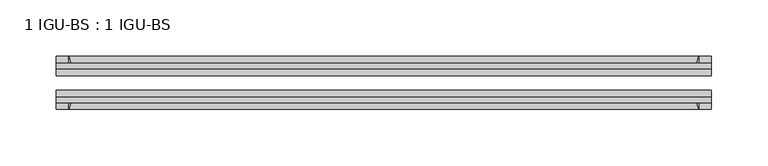
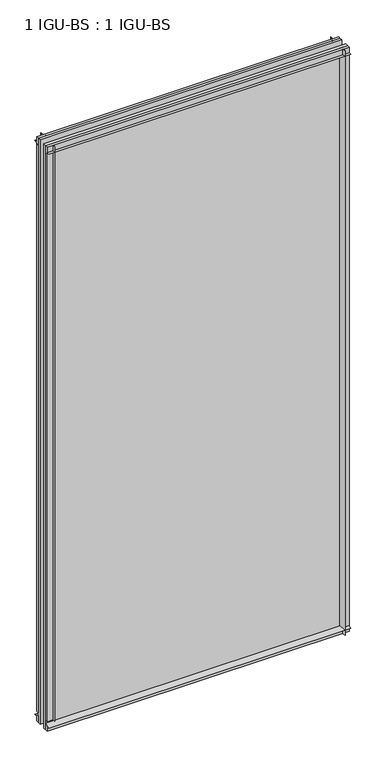
"""IFC4 building model written with IfcOpenShell, lengths in millimetres: plate geometry, 1 IGU-BS : 1 IGU-BS."""

from ifc_helpers import new_model, si_unit, point, frame, frame_2d, origin, origin_with_axes, place, context, project, spatial, polyline, circle_curve, trimmed, segment, composite_curve, outline, extrude, source, transform, mapped, element, save


def plate_1_igu_bs_1_igu_bs_4f32f8c4(model_context):
    return source(origin(), model_context, "Body", "SweptSolid", [
        extrude(outline(composite_curve([segment(polyline([(-109.8637312, 1177.925), (-103.8947312, 1177.925), (-103.8947312, 1189.0375), (-99.1195312, 1189.0375), (-99.1195312, 1174.0271095)]), True, "CONTINUOUS"), segment(trimmed(circle_curve(frame_2d((-115.4953516, 1145.6452461)), 32.7673262), [point((-99.1195312, 1174.0271095))], [point((-109.8637312, 1177.925))], True, "CARTESIAN"), True, "CONTINUOUS")], self_intersect=False)), frame((-290.5121031, 0.0, 0.0), z_axis=(1.0, 0.0, 0.0), x_axis=(0.0, 1.0, 0.0)), (0.0, 0.0, 1.0), 581.0242062),
        extrude(outline(composite_curve([segment(polyline([(-73.7195312, 1174.0271095), (-73.7195312, 1189.0375), (-68.9443312, 1189.0375), (-68.9443312, 1177.925), (-62.9753315, 1177.925)]), True, "CONTINUOUS"), segment(trimmed(circle_curve(frame_2d((-57.3437109, 1145.6452461)), 32.7673262), [point((-62.9753315, 1177.925))], [point((-73.7195312, 1174.0271095))], True, "CARTESIAN"), True, "CONTINUOUS")], self_intersect=False)), frame((-290.5121031, 0.0, 0.0), z_axis=(1.0, 0.0, 0.0), x_axis=(0.0, 1.0, 0.0)), (0.0, 0.0, 1.0), 581.0242062),
        extrude(outline(composite_curve([segment(polyline([(-103.8947312, 0.0), (-103.8947312, 9.5265381), (-109.8637315, 9.5265381)]), True, "CONTINUOUS"), segment(trimmed(circle_curve(frame_2d((-115.5567965, 42.1919217)), 33.1577785), [point((-109.8637315, 9.5265381))], [point((-99.1195312, 13.3951409))], True, "CARTESIAN"), True, "CONTINUOUS"), segment(polyline([(-99.1195312, 13.3951409), (-99.1195312, 0.0), (-103.8947312, 0.0)]), True, "CONTINUOUS")], self_intersect=False)), frame((-290.5121031, 0.0, 0.0), z_axis=(1.0, 0.0, 0.0), x_axis=(0.0, 1.0, 0.0)), (0.0, 0.0, 1.0), 581.0242062),
        extrude(outline(composite_curve([segment(polyline([(-68.9443312, 0.0), (-73.7195312, 0.0), (-73.7195312, 13.4228906)]), True, "CONTINUOUS"), segment(trimmed(circle_curve(frame_2d((-57.3437109, 41.804754)), 32.7673262), [point((-73.7195312, 13.4228906))], [point((-62.9841404, 9.5265381))], True, "CARTESIAN"), True, "CONTINUOUS"), segment(polyline([(-62.9841404, 9.5265381), (-68.9443312, 9.5265381), (-68.9443312, 0.0)]), True, "CONTINUOUS")], self_intersect=False)), frame((-290.5121031, 0.0, 0.0), z_axis=(1.0, 0.0, 0.0), x_axis=(0.0, 1.0, 0.0)), (0.0, 0.0, 1.0), 581.0242062),
        extrude(outline(composite_curve([segment(polyline([(290.5121031, -68.9443313), (290.5121031, -73.7195313), (275.5017126, -73.7195313)]), True, "CONTINUOUS"), segment(trimmed(circle_curve(frame_2d((247.1198492, -57.3437109)), 32.7673262), [point((275.5017126, -73.7195313))], [point((279.3996031, -62.9753313))], True, "CARTESIAN"), True, "CONTINUOUS"), segment(polyline([(279.3996031, -62.9753313), (279.3996031, -68.9443313), (290.5121031, -68.9443313)]), True, "CONTINUOUS")], self_intersect=False)), origin_with_axes(), (0.0, 0.0, 1.0), 1189.0375),
        extrude(outline(composite_curve([segment(polyline([(290.5121031, -99.1195313), (290.5121031, -103.8947312), (279.3996031, -103.8947312), (279.3996031, -109.8637312)]), True, "CONTINUOUS"), segment(trimmed(circle_curve(frame_2d((247.1198492, -115.4953516)), 32.7673262), [point((279.3996031, -109.8637312))], [point((275.5017126, -99.1195313))], True, "CARTESIAN"), True, "CONTINUOUS"), segment(polyline([(275.5017126, -99.1195313), (290.5121031, -99.1195313)]), True, "CONTINUOUS")], self_intersect=False)), origin_with_axes(), (0.0, 0.0, 1.0), 1189.0375),
        extrude(outline(composite_curve([segment(polyline([(-290.5121031, -68.9443313), (-279.3996031, -68.9443313), (-279.3996031, -62.9753312)]), True, "CONTINUOUS"), segment(trimmed(circle_curve(frame_2d((-247.1198492, -57.3437109)), 32.7673262), [point((-279.3996031, -62.9753312))], [point((-275.5017126, -73.7195313))], True, "CARTESIAN"), True, "CONTINUOUS"), segment(polyline([(-275.5017126, -73.7195313), (-290.5121031, -73.7195313), (-290.5121031, -68.9443313)]), True, "CONTINUOUS")], self_intersect=False)), frame((0.0, 0.0, 19.8437501), z_axis=(0.0, 0.0, 1.0), x_axis=(1.0, 0.0, 0.0)), (0.0, 0.0, 1.0), 1169.1937499),
        extrude(outline(composite_curve([segment(polyline([(-290.5121031, -103.8947312), (-290.5121031, -99.1195313), (-275.5017126, -99.1195313)]), True, "CONTINUOUS"), segment(trimmed(circle_curve(frame_2d((-247.1198492, -115.4953516)), 32.7673262), [point((-275.5017126, -99.1195313))], [point((-279.3996031, -109.8637313))], True, "CARTESIAN"), True, "CONTINUOUS"), segment(polyline([(-279.3996031, -109.8637313), (-279.3996031, -103.8947312), (-290.5121031, -103.8947312)]), True, "CONTINUOUS")], self_intersect=False)), frame((0.0, 0.0, 19.8437501), z_axis=(0.0, 0.0, 1.0), x_axis=(1.0, 0.0, 0.0)), (0.0, 0.0, 1.0), 1169.1937499),
        extrude(outline(polyline([(-290.5121031, -99.1195313), (-290.5121031, -92.8203313), (290.5121031, -92.8203313), (290.5121031, -99.1195313), (-290.5121031, -99.1195313)])), origin_with_axes(), (0.0, 0.0, 1.0), 1189.0375),
        extrude(outline(polyline([(290.5121031, -80.0187313), (-290.5121031, -80.0187313), (-290.5121031, -73.7195313), (290.5121031, -73.7195313), (290.5121031, -80.0187313)])), origin_with_axes(), (0.0, 0.0, 1.0), 1189.0375),
    ])


if __name__ == "__main__":
    model = new_model("IFC4")
    model_context = context("Model", 3, world=origin())
    ifc_project = project(units=[si_unit("LENGTHUNIT", "METRE", prefix="MILLI")], contexts=[model_context])
    site = spatial("IfcSite", under=ifc_project)
    building = spatial("IfcBuilding", under=site)
    placement = place(None, origin())
    plate_1_igu_bs_1_igu_bs_shape = plate_1_igu_bs_1_igu_bs_4f32f8c4(model_context)
    element("IfcPlate", 1, ObjectType="1 IGU-BS : 1 IGU-BS", at=placement, inside=building, context=model_context, shape_type="MappedRepresentation", body=[
        mapped(plate_1_igu_bs_1_igu_bs_shape, transform((0.0, 0.0, 0.0), x_axis=(1.0, 0.0, 0.0), y_axis=(0.0, 1.0, 0.0), z_axis=(0.0, 0.0, 1.0))),
    ])
    save(model, "model.ifc")
